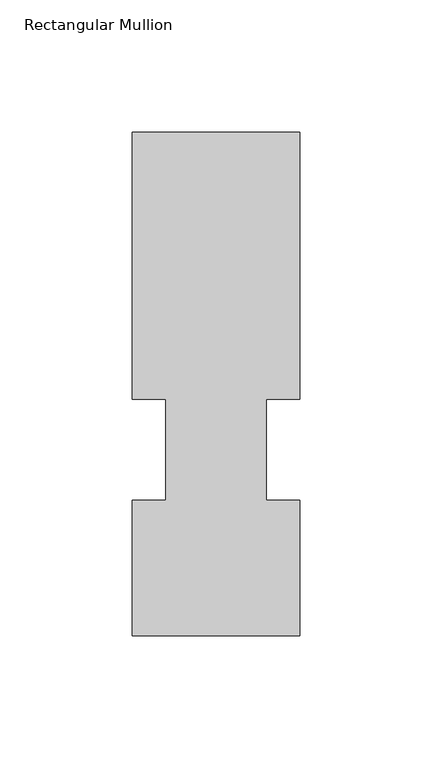
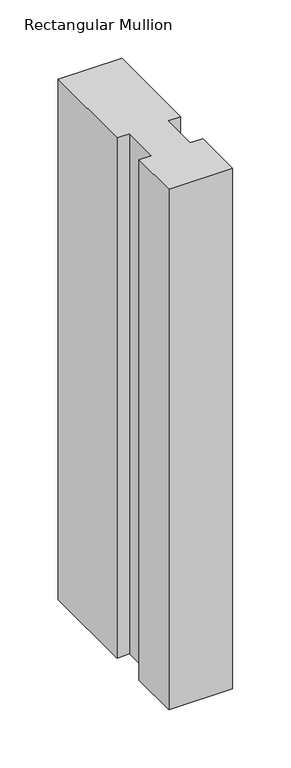
"""IFC4 building model written with IfcOpenShell, lengths in millimetres: member geometry, Rectangular Mullion."""

from ifc_helpers import new_model, si_unit, frame, origin, place, context, project, spatial, polyline, outline, extrude, source, transform, mapped, element, save


def rectangular_mullion_56bcc9e7(model_context):
    return source(origin(), model_context, "Body", "SweptSolid", [
        extrude(outline(polyline([(-63.5000001, 190.7881312), (0.0, 190.7881312), (0.0, 89.5945312), (-12.6873, 89.5945313), (-12.6873, 51.4945312), (1e-07, 51.4945312), (1e-07, 0.2119312), (-63.5, 0.2119312), (-63.5, 51.4945312), (-50.7943324, 51.4945312), (-50.7943324, 89.5945312), (-63.5000001, 89.5945312), (-63.5000001, 190.7881312)])), frame((0.0, 0.0, -546.1), z_axis=(0.0, 0.0, 1.0), x_axis=(1.0, 0.0, 0.0)), (0.0, 0.0, 1.0), 546.1),
    ])


if __name__ == "__main__":
    model = new_model("IFC4")
    model_context = context("Model", 3, world=origin())
    ifc_project = project(units=[si_unit("LENGTHUNIT", "METRE", prefix="MILLI")], contexts=[model_context])
    site = spatial("IfcSite", under=ifc_project)
    building = spatial("IfcBuilding", under=site)
    placement = place(None, origin())
    rectangular_mullion_shape = rectangular_mullion_56bcc9e7(model_context)
    element("IfcMember", 1, ObjectType="Rectangular Mullion", at=placement, inside=building, context=model_context, shape_type="MappedRepresentation", body=[
        mapped(rectangular_mullion_shape, transform((0.0, 0.0, 0.0), x_axis=(1.0, 0.0, 0.0), y_axis=(0.0, 1.0, 0.0), z_axis=(0.0, 0.0, 1.0))),
    ])
    save(model, "model.ifc")
